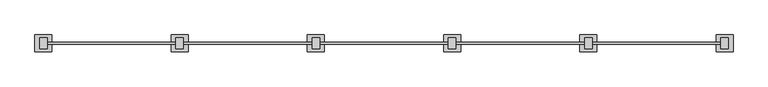
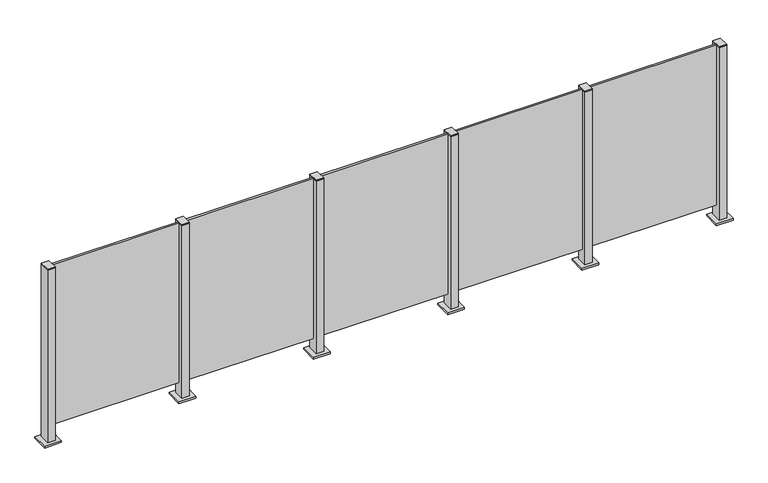
"""IFC4 building model written with IfcOpenShell, lengths in millimetres: railing geometry."""

from ifc_helpers import new_model, si_unit, frame, origin, origin_with_axes, place, context, project, spatial, polyline, outline, extrude, source, transform, mapped, element, save


def railing_64614348(model_context):
    return source(origin(), model_context, "Body", "SweptSolid", [
        extrude(outline(polyline([(33210.0, 7697.5598727), (33990.0, 7697.5598727), (33990.0, 7684.3598727), (33210.0, 7684.3598727), (33210.0, 7697.5598727)])), frame((0.0, 0.0, 95.0), z_axis=(0.0, 0.0, 1.0), x_axis=(1.0, 0.0, 0.0)), (0.0, 0.0, 1.0), 1005.0),
        extrude(outline(polyline([(33222.5, 7657.6846828), (33177.5, 7657.6846828), (33177.5, 7722.6846828), (33222.5, 7722.6846828), (33222.5, 7657.6846828)])), frame((0.0, 0.0, 1100.0), z_axis=(0.0, 0.0, 1.0), x_axis=(1.0, 0.0, 0.0)), (0.0, 0.0, 1.0), 5.0),
        extrude(outline(polyline([(33250.0, 7640.1846828), (33150.0, 7640.1846828), (33150.0, 7740.1846828), (33250.0, 7740.1846828), (33250.0, 7640.1846828)])), origin_with_axes(), (0.0, 0.0, 1.0), 12.0),
        extrude(outline(polyline([(33222.5, 7657.6846828), (33177.5, 7657.6846828), (33177.5, 7722.6846828), (33222.5, 7722.6846828), (33222.5, 7657.6846828)])), frame((0.0, 0.0, 12.0), z_axis=(0.0, 0.0, 1.0), x_axis=(1.0, 0.0, 0.0)), (0.0, 0.0, 1.0), 1088.0),
        extrude(outline(polyline([(32410.0, 7697.5598727), (33190.0, 7697.5598727), (33190.0, 7684.3598727), (32410.0, 7684.3598727), (32410.0, 7697.5598727)])), frame((0.0, 0.0, 95.0), z_axis=(0.0, 0.0, 1.0), x_axis=(1.0, 0.0, 0.0)), (0.0, 0.0, 1.0), 1005.0),
        extrude(outline(polyline([(32422.5, 7657.6846828), (32377.5, 7657.6846828), (32377.5, 7722.6846828), (32422.5, 7722.6846828), (32422.5, 7657.6846828)])), frame((0.0, 0.0, 1100.0), z_axis=(0.0, 0.0, 1.0), x_axis=(1.0, 0.0, 0.0)), (0.0, 0.0, 1.0), 5.0),
        extrude(outline(polyline([(32450.0, 7640.1846828), (32350.0, 7640.1846828), (32350.0, 7740.1846828), (32450.0, 7740.1846828), (32450.0, 7640.1846828)])), origin_with_axes(), (0.0, 0.0, 1.0), 12.0),
        extrude(outline(polyline([(32422.5, 7657.6846828), (32377.5, 7657.6846828), (32377.5, 7722.6846828), (32422.5, 7722.6846828), (32422.5, 7657.6846828)])), frame((0.0, 0.0, 12.0), z_axis=(0.0, 0.0, 1.0), x_axis=(1.0, 0.0, 0.0)), (0.0, 0.0, 1.0), 1088.0),
        extrude(outline(polyline([(31610.0, 7697.5598727), (32390.0, 7697.5598727), (32390.0, 7684.3598727), (31610.0, 7684.3598727), (31610.0, 7697.5598727)])), frame((0.0, 0.0, 95.0), z_axis=(0.0, 0.0, 1.0), x_axis=(1.0, 0.0, 0.0)), (0.0, 0.0, 1.0), 1005.0),
        extrude(outline(polyline([(31622.5, 7657.6846828), (31577.5, 7657.6846828), (31577.5, 7722.6846828), (31622.5, 7722.6846828), (31622.5, 7657.6846828)])), frame((0.0, 0.0, 1100.0), z_axis=(0.0, 0.0, 1.0), x_axis=(1.0, 0.0, 0.0)), (0.0, 0.0, 1.0), 5.0),
        extrude(outline(polyline([(31650.0, 7640.1846828), (31550.0, 7640.1846828), (31550.0, 7740.1846828), (31650.0, 7740.1846828), (31650.0, 7640.1846828)])), origin_with_axes(), (0.0, 0.0, 1.0), 12.0),
        extrude(outline(polyline([(31622.5, 7657.6846828), (31577.5, 7657.6846828), (31577.5, 7722.6846828), (31622.5, 7722.6846828), (31622.5, 7657.6846828)])), frame((0.0, 0.0, 12.0), z_axis=(0.0, 0.0, 1.0), x_axis=(1.0, 0.0, 0.0)), (0.0, 0.0, 1.0), 1088.0),
        extrude(outline(polyline([(30810.0, 7697.5598727), (31590.0, 7697.5598727), (31590.0, 7684.3598727), (30810.0, 7684.3598727), (30810.0, 7697.5598727)])), frame((0.0, 0.0, 95.0), z_axis=(0.0, 0.0, 1.0), x_axis=(1.0, 0.0, 0.0)), (0.0, 0.0, 1.0), 1005.0),
        extrude(outline(polyline([(30822.5, 7657.6846828), (30777.5, 7657.6846828), (30777.5, 7722.6846828), (30822.5, 7722.6846828), (30822.5, 7657.6846828)])), frame((0.0, 0.0, 1100.0), z_axis=(0.0, 0.0, 1.0), x_axis=(1.0, 0.0, 0.0)), (0.0, 0.0, 1.0), 5.0),
        extrude(outline(polyline([(30850.0, 7640.1846828), (30750.0, 7640.1846828), (30750.0, 7740.1846828), (30850.0, 7740.1846828), (30850.0, 7640.1846828)])), origin_with_axes(), (0.0, 0.0, 1.0), 12.0),
        extrude(outline(polyline([(30822.5, 7657.6846828), (30777.5, 7657.6846828), (30777.5, 7722.6846828), (30822.5, 7722.6846828), (30822.5, 7657.6846828)])), frame((0.0, 0.0, 12.0), z_axis=(0.0, 0.0, 1.0), x_axis=(1.0, 0.0, 0.0)), (0.0, 0.0, 1.0), 1088.0),
        extrude(outline(polyline([(30010.0, 7697.5598727), (30790.0, 7697.5598727), (30790.0, 7684.3598727), (30010.0, 7684.3598727), (30010.0, 7697.5598727)])), frame((0.0, 0.0, 95.0), z_axis=(0.0, 0.0, 1.0), x_axis=(1.0, 0.0, 0.0)), (0.0, 0.0, 1.0), 1005.0),
        extrude(outline(polyline([(34022.5, 7657.6846828), (33977.5, 7657.6846828), (33977.5, 7722.6846828), (34022.5, 7722.6846828), (34022.5, 7657.6846828)])), frame((0.0, 0.0, 1100.0), z_axis=(0.0, 0.0, 1.0), x_axis=(1.0, 0.0, 0.0)), (0.0, 0.0, 1.0), 5.0),
        extrude(outline(polyline([(34050.0, 7640.1846828), (33950.0, 7640.1846828), (33950.0, 7740.1846828), (34050.0, 7740.1846828), (34050.0, 7640.1846828)])), origin_with_axes(), (0.0, 0.0, 1.0), 12.0),
        extrude(outline(polyline([(34022.5, 7657.6846828), (33977.5, 7657.6846828), (33977.5, 7722.6846828), (34022.5, 7722.6846828), (34022.5, 7657.6846828)])), frame((0.0, 0.0, 12.0), z_axis=(0.0, 0.0, 1.0), x_axis=(1.0, 0.0, 0.0)), (0.0, 0.0, 1.0), 1088.0),
        extrude(outline(polyline([(30022.5, 7657.6846828), (29977.5, 7657.6846828), (29977.5, 7722.6846828), (30022.5, 7722.6846828), (30022.5, 7657.6846828)])), frame((0.0, 0.0, 1100.0), z_axis=(0.0, 0.0, 1.0), x_axis=(1.0, 0.0, 0.0)), (0.0, 0.0, 1.0), 5.0),
        extrude(outline(polyline([(30050.0, 7640.1846828), (29950.0, 7640.1846828), (29950.0, 7740.1846828), (30050.0, 7740.1846828), (30050.0, 7640.1846828)])), origin_with_axes(), (0.0, 0.0, 1.0), 12.0),
        extrude(outline(polyline([(30022.5, 7657.6846828), (29977.5, 7657.6846828), (29977.5, 7722.6846828), (30022.5, 7722.6846828), (30022.5, 7657.6846828)])), frame((0.0, 0.0, 12.0), z_axis=(0.0, 0.0, 1.0), x_axis=(1.0, 0.0, 0.0)), (0.0, 0.0, 1.0), 1088.0),
    ])


if __name__ == "__main__":
    model = new_model("IFC4")
    model_context = context("Model", 3, world=origin())
    ifc_project = project(units=[si_unit("LENGTHUNIT", "METRE", prefix="MILLI")], contexts=[model_context])
    site = spatial("IfcSite", under=ifc_project)
    building = spatial("IfcBuilding", under=site)
    placement = place(None, origin())
    railing_shape = railing_64614348(model_context)
    element("IfcRailing", 1, at=placement, inside=building, context=model_context, shape_type="MappedRepresentation", body=[
        mapped(railing_shape, transform((0.0, 0.0, 0.0), x_axis=(1.0, 0.0, 0.0), y_axis=(0.0, 1.0, 0.0), z_axis=(0.0, 0.0, 1.0))),
    ])
    save(model, "model.ifc")
